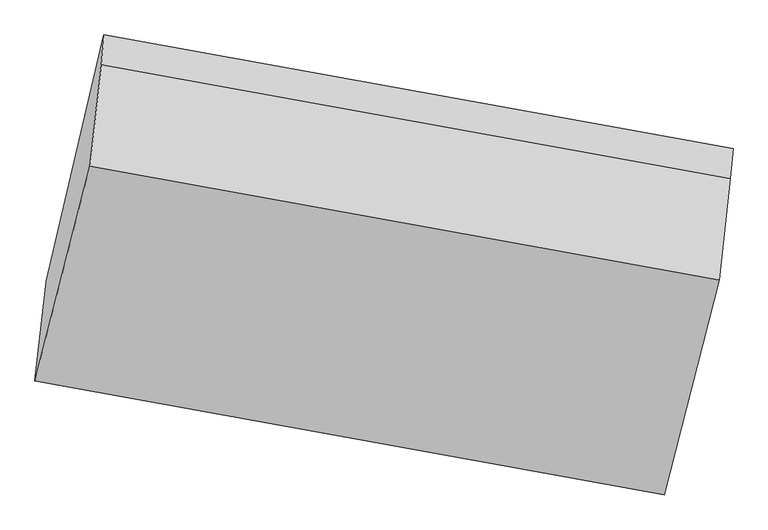
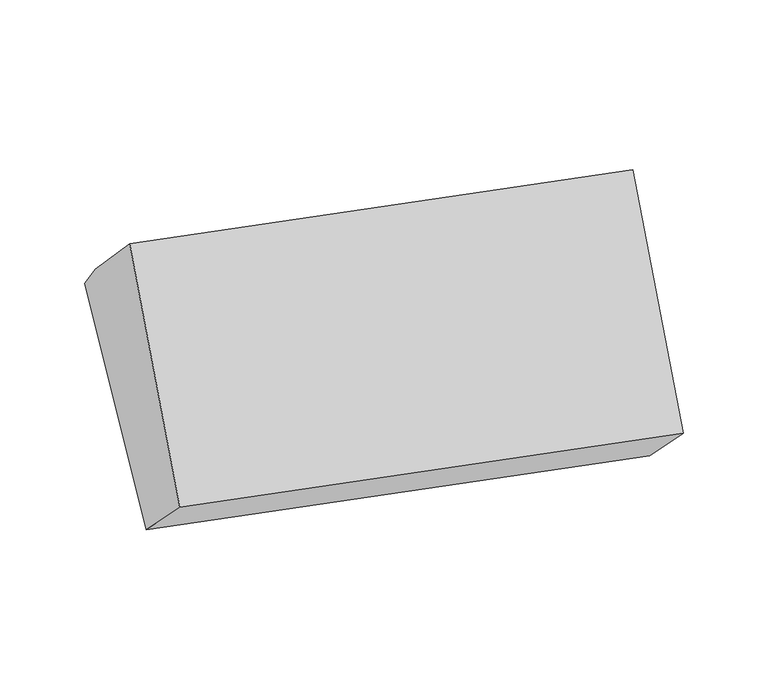
"""IFC4 building model written with IfcOpenShell, lengths in millimetres: proxy geometry."""

import ifcopenshell
import ifcopenshell.guid

model = None  # the IFC model being written
_history = None  # IfcOwnerHistory: only IFC2X3 demands one
_inside = {}  # id of a spatial element -> (the spatial element, [elements in it])
_under = {}  # id of a project, library or spatial element -> (it, [spatial elements below it])
_declared = {}  # id of a project -> (the project, [libraries it declares])
_typed = {}  # id of a type object -> (the type object, [elements of that type])
_made_of = {}  # id of a material, layer set ... -> (it, [elements and type objects made of it])


def new_model(schema):
    """Start an empty IFC model of exactly this schema.

    Asked for "IFC4X3", IfcOpenShell would pick the latest addendum, in which some entities
    have other attributes; the version numbers below select the first issue.
    IFC2X3 requires an IfcOwnerHistory on every rooted entity: one is made here for all.
    """
    global model, _history
    if schema == "IFC4X3":
        model = ifcopenshell.file(schema_version=(4, 3, 0, 0))
    else:
        model = ifcopenshell.file(schema=schema)
    _inside.clear()
    _under.clear()
    _declared.clear()
    _typed.clear()
    _made_of.clear()
    _history = None
    if model.schema == "IFC2X3":
        org = make("IfcOrganization", Name="unknown")
        user = make(
            "IfcPersonAndOrganization",
            ThePerson=make("IfcPerson", FamilyName="unknown"),
            TheOrganization=org,
        )
        app = make(
            "IfcApplication",
            ApplicationDeveloper=org,
            Version="unknown",
            ApplicationFullName="unknown",
            ApplicationIdentifier="unknown",
        )
        _history = make(
            "IfcOwnerHistory",
            OwningUser=user,
            OwningApplication=app,
            ChangeAction="ADDED",
            CreationDate=0,
        )
    return model


def make(cls, **values):
    """One entity of the class cls with the attributes given. An attribute that is None is left unset."""
    return model.create_entity(
        cls, **{name: value for name, value in values.items() if value is not None}
    )


def rooted(cls, **values):
    """An entity with a GlobalId (a new one), such as an element, a storey or a relation."""
    return make(cls, GlobalId=ifcopenshell.guid.new(), OwnerHistory=_history, **values)


def si_unit(unit_type, name, prefix=None):
    """IfcSIUnit, for example si_unit("LENGTHUNIT", "METRE", prefix="MILLI")."""
    return make("IfcSIUnit", UnitType=unit_type, Prefix=prefix, Name=name)


def assignment(units):
    """IfcUnitAssignment: the units of a project."""
    return None if units is None else make("IfcUnitAssignment", Units=units)


def point(xyz):
    """IfcCartesianPoint."""
    return None if xyz is None else make("IfcCartesianPoint", Coordinates=xyz)


def direction(xyz):
    """IfcDirection."""
    return None if xyz is None else make("IfcDirection", DirectionRatios=xyz)


def frame(location, z_axis=None, x_axis=None):
    """IfcAxis2Placement3D, a coordinate frame: its origin and axes. An axis left out is left unset."""
    return make(
        "IfcAxis2Placement3D",
        Location=point(location),
        Axis=direction(z_axis),
        RefDirection=direction(x_axis),
    )


def origin():
    """The frame at (0, 0, 0) with its axes left unset."""
    return frame((0.0, 0.0, 0.0))


def place(relative_to, where):
    """IfcLocalPlacement: puts the frame where relative to a parent placement (None: the world)."""
    return make(
        "IfcLocalPlacement", PlacementRelTo=relative_to, RelativePlacement=where
    )


def context(
    kind, dimensions, precision=None, world=None, true_north=None, identifier=None
):
    """IfcGeometricRepresentationContext, for example the 3D "Model" context."""
    return make(
        "IfcGeometricRepresentationContext",
        ContextIdentifier=identifier,
        ContextType=kind,
        CoordinateSpaceDimension=dimensions,
        Precision=precision,
        WorldCoordinateSystem=world,
        TrueNorth=true_north,
    )


def project(units=None, contexts=None):
    """IfcProject with its units and contexts."""
    return rooted(
        "IfcProject",
        Name="project",
        RepresentationContexts=contexts,
        UnitsInContext=assignment(units),
    )


def spatial(cls, under=None, at=None, **own):
    """A site, building, storey or space (cls), placed at a placement, below another one or the project."""
    s = rooted(cls, ObjectPlacement=at, **own)
    if under is not None:
        _under.setdefault(under.id(), (under, []))[1].append(s)
    return s


def faces_of(points, faces, orient=None, outer=None):
    """IfcFace entities. A face is a list of loops; a loop is a list of indices into points, from 0.

    orient and outer hold one flag for each loop. By default every Orientation is true, the
    first loop of a face is its IfcFaceOuterBound and the others are IfcFaceBound.
    """
    made = []
    for i, loops in enumerate(faces):
        bounds = []
        for j, loop in enumerate(loops):
            is_outer = j == 0 if outer is None else outer[i][j]
            bounds.append(
                make(
                    "IfcFaceOuterBound" if is_outer else "IfcFaceBound",
                    Bound=make("IfcPolyLoop", Polygon=[points[k] for k in loop]),
                    Orientation=True if orient is None else orient[i][j],
                )
            )
        made.append(make("IfcFace", Bounds=bounds))
    return made


def faceted_brep(points, faces, orient=None, outer=None, voids=None):
    """IfcFacetedBrep: a solid bounded by flat faces; with voids (closed shells), ...WithVoids."""
    shared = [point(p) for p in points]
    hull = make("IfcClosedShell", CfsFaces=faces_of(shared, faces, orient, outer))
    if voids is None:
        return make("IfcFacetedBrep", Outer=hull)
    return make(
        "IfcFacetedBrepWithVoids",
        Outer=hull,
        Voids=[
            make(cls, CfsFaces=faces_of(shared, fs, o, b)) for cls, fs, o, b in voids
        ],
    )


def shape(context_of_items, identifier, shape_type, items):
    """IfcShapeRepresentation: the items that make up one representation, for example the "Body"."""
    return make(
        "IfcShapeRepresentation",
        ContextOfItems=context_of_items,
        RepresentationIdentifier=identifier,
        RepresentationType=shape_type,
        Items=items,
    )


def source(mapping_origin, context_of_items, identifier, shape_type, items):
    """IfcRepresentationMap: a shape defined once, which mapped items show again and again."""
    return make(
        "IfcRepresentationMap",
        MappingOrigin=mapping_origin,
        MappedRepresentation=shape(context_of_items, identifier, shape_type, items),
    )


def transform(
    local_origin,
    x_axis=None,
    y_axis=None,
    z_axis=None,
    scale=None,
    scale2=None,
    scale3=None,
    uniform=True,
):
    """IfcCartesianTransformationOperator3D, or its non-uniform kind. x_axis, y_axis, z_axis: its Axis1, 2, 3."""
    if uniform:
        return make(
            "IfcCartesianTransformationOperator3D",
            Axis1=direction(x_axis),
            Axis2=direction(y_axis),
            LocalOrigin=point(local_origin),
            Scale=scale,
            Axis3=direction(z_axis),
        )
    return make(
        "IfcCartesianTransformationOperator3DnonUniform",
        Axis1=direction(x_axis),
        Axis2=direction(y_axis),
        LocalOrigin=point(local_origin),
        Scale=scale,
        Axis3=direction(z_axis),
        Scale2=scale2,
        Scale3=scale3,
    )


def mapped(mapping_source, mapping_target):
    """IfcMappedItem: shows the shape of a source again, moved by a transform."""
    return make(
        "IfcMappedItem", MappingSource=mapping_source, MappingTarget=mapping_target
    )


def made_of(thing, what):
    """Note that an element or type object is made of a material, layer set ...; save() writes the relation."""
    if what is not None:
        _made_of.setdefault(what.id(), (what, []))[1].append(thing)
    return thing


def element(
    cls,
    number,
    at=None,
    inside=None,
    cuts=None,
    type_object=None,
    material=None,
    context=None,
    identifier="Body",
    shape_type=None,
    held_by="IfcProductDefinitionShape",
    body=None,
    shapes=None,
    **own,
):
    """One element of the class cls, such as IfcWall. Its Tag is "e" and its number.

    at: its placement. inside: the storey or other place that contains it. cuts: it is an
    opening in that element (IfcRelVoidsElement). A single representation is given by context,
    identifier, shape_type and body (its items); several are given by shapes. held_by: the class
    of the entity that holds the representations. save() writes the other relations.
    """
    e = rooted(cls, Tag="e%d" % number, ObjectPlacement=at, **own)
    if body is not None:
        shapes = [shape(context, identifier, shape_type, body)]
    if shapes is not None:
        e.Representation = make(held_by, Representations=shapes)
    if inside is not None:
        _inside.setdefault(inside.id(), (inside, []))[1].append(e)
    if cuts is not None:
        rooted(
            "IfcRelVoidsElement", RelatingBuildingElement=cuts, RelatedOpeningElement=e
        )
    if type_object is not None:
        _typed.setdefault(type_object.id(), (type_object, []))[1].append(e)
    return made_of(e, material)


def aggregate(whole, parts):
    """IfcRelAggregates: a whole, such as a stair, and the parts it consists of."""
    return rooted("IfcRelAggregates", RelatingObject=whole, RelatedObjects=parts)


def save(model, path):
    """Write the relations noted so far, then the file.

    IfcRelAggregates (storeys below a building ...), IfcRelContainedInSpatialStructure (elements
    in a storey), IfcRelDefinesByType, IfcRelAssociatesMaterial and IfcRelDeclares: one each for
    every whole, place, type object, material and project.
    """
    for whole, parts in _under.values():
        aggregate(whole, parts)
    for where, things in _inside.values():
        rooted(
            "IfcRelContainedInSpatialStructure",
            RelatedElements=things,
            RelatingStructure=where,
        )
    for kind, things in _typed.values():
        rooted("IfcRelDefinesByType", RelatedObjects=things, RelatingType=kind)
    for what, things in _made_of.values():
        rooted("IfcRelAssociatesMaterial", RelatedObjects=things, RelatingMaterial=what)
    for by, libraries in _declared.values():
        rooted("IfcRelDeclares", RelatingContext=by, RelatedDefinitions=libraries)
    model.write(path)


def generic_models_ad3b1249(model_context):
    return source(origin(), model_context, "Body", "Brep", [
        faceted_brep([(-3835.0785669, -1847.428163, 1863.8934825), (-3803.1984313, -1568.7693478, 1593.290707), (-2052.8894261, -1885.4300805, 1473.4093931), (-2084.7695616, -2164.0888956, 1744.0121685), (-3643.0426792, -883.5955023, 2121.766758), (-1892.7336739, -1200.256235, 2001.8854441), (-3650.5698045, -967.0040568, 2232.1877929), (-1900.2607992, -1283.6647894, 2112.3064789), (-3681.9546836, -1248.7729895, 2518.2367102), (-1931.6456784, -1565.4337222, 2398.3553963)], [[[0, 1, 2, 3]], [[1, 4, 5]], [[4, 6, 7, 5]], [[6, 8, 9, 7]], [[8, 0, 3, 9]], [[7, 9, 3, 2, 5]], [[0, 8, 6, 4, 1]], [[5, 2, 1]]]),
    ])


if __name__ == "__main__":
    model = new_model("IFC4")
    model_context = context("Model", 3, world=origin())
    ifc_project = project(units=[si_unit("LENGTHUNIT", "METRE", prefix="MILLI")], contexts=[model_context])
    site = spatial("IfcSite", under=ifc_project)
    building = spatial("IfcBuilding", under=site)
    placement = place(None, origin())
    generic_models_shape = generic_models_ad3b1249(model_context)
    element("IfcBuildingElementProxy", 1, Name="Generic Models", at=placement, inside=building, context=model_context, shape_type="MappedRepresentation", body=[
        mapped(generic_models_shape, transform((0.0, 0.0, 0.0), x_axis=(1.0, 0.0, 0.0), y_axis=(0.0, 1.0, 0.0), z_axis=(0.0, 0.0, 1.0))),
    ])
    save(model, "model.ifc")
